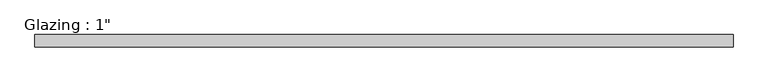
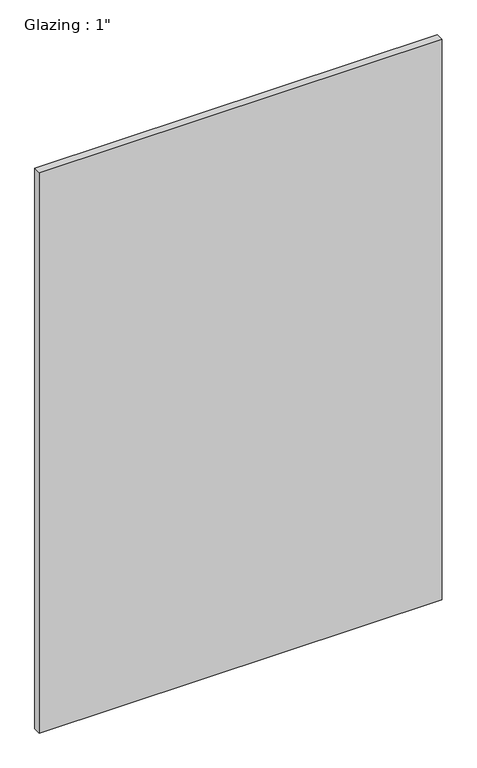
"""IFC4 building model written with IfcOpenShell, lengths in millimetres: plate geometry."""

from ifc_helpers import new_model, si_unit, origin, origin_with_axes, place, context, project, spatial, polyline, outline, extrude, source, transform, mapped, element, save


def plate_7664459f(model_context):
    return source(origin(), model_context, "Body", "SweptSolid", [
        extrude(outline(polyline([(712.2881578, -12.7), (-712.2881578, -12.7), (-712.2881578, 12.7), (712.2881578, 12.7), (712.2881578, -12.7)])), origin_with_axes(), (0.0, 0.0, 1.0), 2094.5428768),
    ])


if __name__ == "__main__":
    model = new_model("IFC4")
    model_context = context("Model", 3, world=origin())
    ifc_project = project(units=[si_unit("LENGTHUNIT", "METRE", prefix="MILLI")], contexts=[model_context])
    site = spatial("IfcSite", under=ifc_project)
    building = spatial("IfcBuilding", under=site)
    placement = place(None, origin())
    plate_shape = plate_7664459f(model_context)
    element("IfcPlate", 1, ObjectType="Glazing : 1\"", at=placement, inside=building, context=model_context, shape_type="MappedRepresentation", body=[
        mapped(plate_shape, transform((0.0, 0.0, 0.0), x_axis=(1.0, 0.0, 0.0), y_axis=(0.0, 1.0, 0.0), z_axis=(0.0, 0.0, 1.0))),
    ])
    save(model, "model.ifc")
